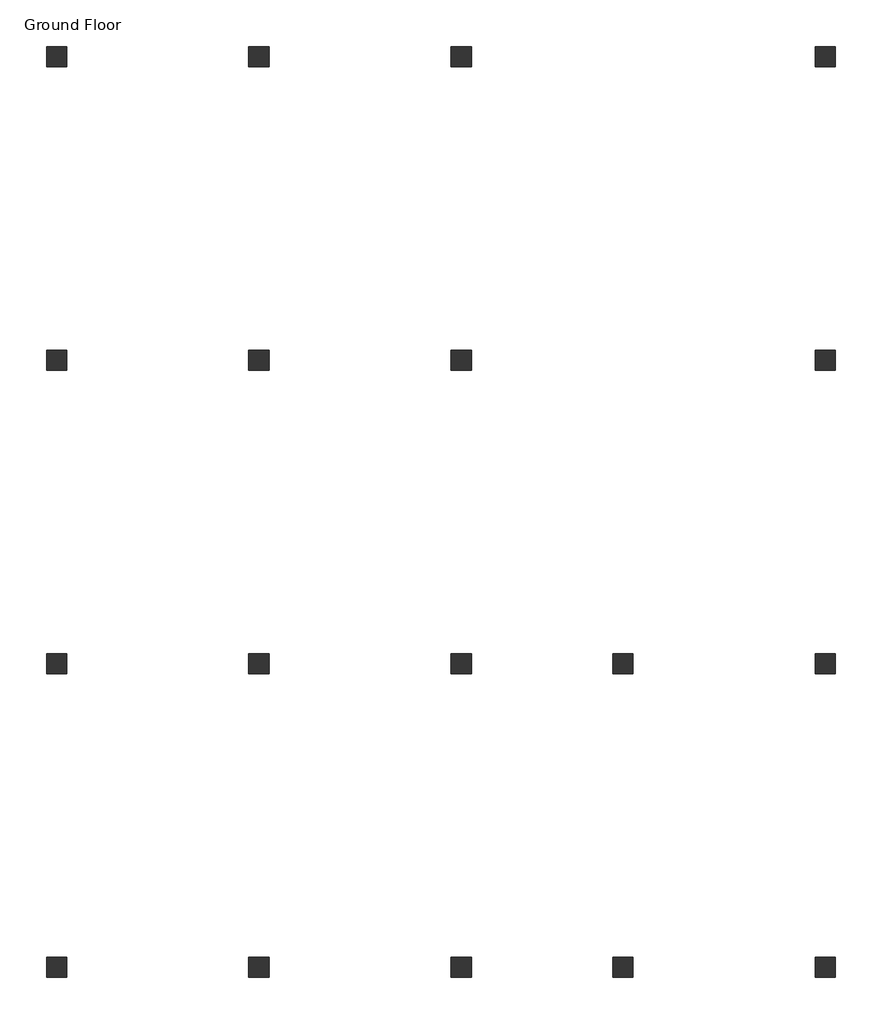
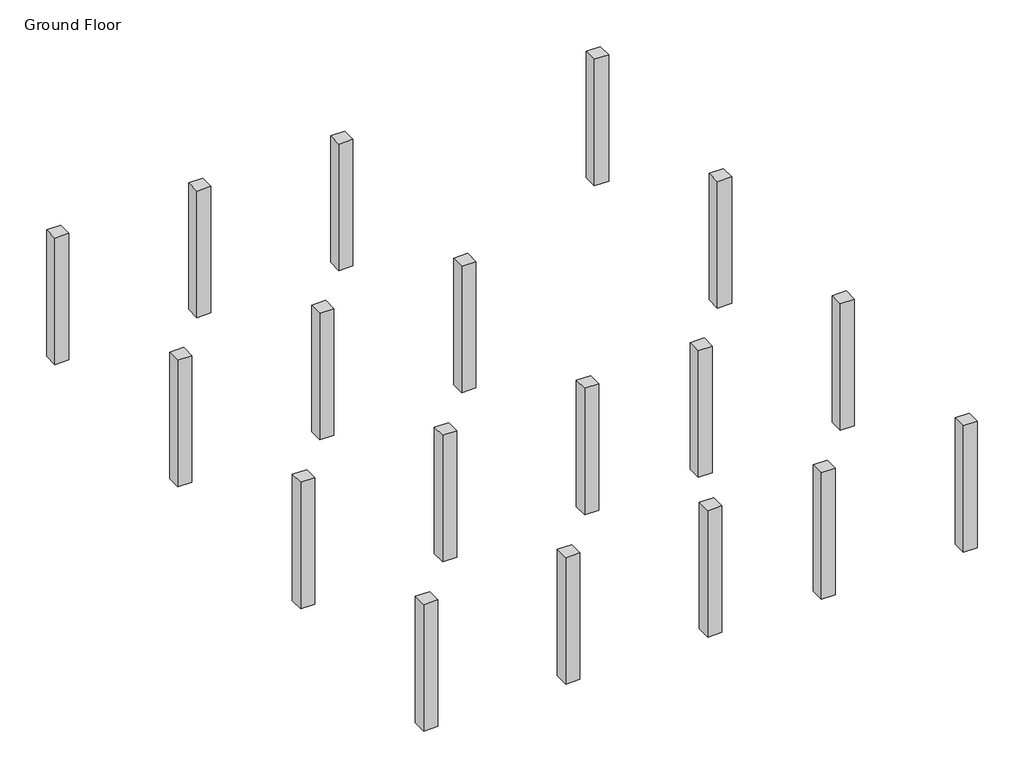
# One storey: 18 columns.
"""IFC4 building model written with IfcOpenShell, lengths in millimetres."""

from ifc_helpers import new_model, si_unit, origin, origin_with_axes, place, context, project, spatial, polyline, outline, extrude, element, save

model = new_model("IFC4")

# Units and contexts
model_context = context("Model", 3, world=origin())
ifc_project = project(units=[si_unit("LENGTHUNIT", "METRE", prefix="MILLI")], contexts=[model_context])

# Site, building, storey
site = spatial("IfcSite", under=ifc_project)
building = spatial("IfcBuilding", under=site)
storey = spatial("IfcBuildingStorey", under=building, Name="Ground Floor", Elevation=0.0)

# Columns
placement = place(None, origin())
element("IfcColumn", 1, ObjectType="Concrete-Rectangular-Column", at=placement, inside=storey, context=model_context, shape_type="SweptSolid", body=[
    extrude(outline(polyline([(3162.1409002, -15039.2114294), (3162.1409002, -15344.0114294), (2857.3409002, -15344.0114294), (2857.3409002, -15039.2114294), (3162.1409002, -15039.2114294)])), origin_with_axes(), (0.0, 0.0, 1.0), 2870.2),
])
element("IfcColumn", 2, ObjectType="Concrete-Rectangular-Column", at=placement, inside=storey, context=model_context, shape_type="SweptSolid", body=[
    extrude(outline(polyline([(9258.1409002, -15039.2114294), (9258.1409002, -15344.0114294), (8953.3409002, -15344.0114294), (8953.3409002, -15039.2114294), (9258.1409002, -15039.2114294)])), origin_with_axes(), (0.0, 0.0, 1.0), 2870.2),
])
element("IfcColumn", 3, ObjectType="Concrete-Rectangular-Column", at=placement, inside=storey, context=model_context, shape_type="SweptSolid", body=[
    extrude(outline(polyline([(11696.5409002, -15039.2114294), (11696.5409002, -15344.0114294), (11391.7409002, -15344.0114294), (11391.7409002, -15039.2114294), (11696.5409002, -15039.2114294)])), origin_with_axes(), (0.0, 0.0, 1.0), 2870.2),
])
element("IfcColumn", 4, ObjectType="Concrete-Rectangular-Column", at=placement, inside=storey, context=model_context, shape_type="SweptSolid", body=[
    extrude(outline(polyline([(14744.5409002, -15039.2114294), (14744.5409002, -15344.0114294), (14439.7409002, -15344.0114294), (14439.7409002, -15039.2114294), (14744.5409002, -15039.2114294)])), origin_with_axes(), (0.0, 0.0, 1.0), 2870.2),
])
element("IfcColumn", 5, ObjectType="Concrete-Rectangular-Column", at=placement, inside=storey, context=model_context, shape_type="SweptSolid", body=[
    extrude(outline(polyline([(6210.1409002, -15039.2114294), (6210.1409002, -15344.0114294), (5905.3409002, -15344.0114294), (5905.3409002, -15039.2114294), (6210.1409002, -15039.2114294)])), origin_with_axes(), (0.0, 0.0, 1.0), 2870.2),
])
element("IfcColumn", 6, ObjectType="Concrete-Rectangular-Column", at=placement, inside=storey, context=model_context, shape_type="SweptSolid", body=[
    extrude(outline(polyline([(3162.1409002, -10467.2114294), (3162.1409002, -10772.0114294), (2857.3409002, -10772.0114294), (2857.3409002, -10467.2114294), (3162.1409002, -10467.2114294)])), origin_with_axes(), (0.0, 0.0, 1.0), 2870.2),
])
element("IfcColumn", 7, ObjectType="Concrete-Rectangular-Column", at=placement, inside=storey, context=model_context, shape_type="SweptSolid", body=[
    extrude(outline(polyline([(9258.1409002, -10467.2114294), (9258.1409002, -10772.0114294), (8953.3409002, -10772.0114294), (8953.3409002, -10467.2114294), (9258.1409002, -10467.2114294)])), origin_with_axes(), (0.0, 0.0, 1.0), 2870.2),
])
element("IfcColumn", 8, ObjectType="Concrete-Rectangular-Column", at=placement, inside=storey, context=model_context, shape_type="SweptSolid", body=[
    extrude(outline(polyline([(11696.5409002, -10467.2114294), (11696.5409002, -10772.0114294), (11391.7409002, -10772.0114294), (11391.7409002, -10467.2114294), (11696.5409002, -10467.2114294)])), origin_with_axes(), (0.0, 0.0, 1.0), 2870.2),
])
element("IfcColumn", 9, ObjectType="Concrete-Rectangular-Column", at=placement, inside=storey, context=model_context, shape_type="SweptSolid", body=[
    extrude(outline(polyline([(14744.5409002, -10467.2114294), (14744.5409002, -10772.0114294), (14439.7409002, -10772.0114294), (14439.7409002, -10467.2114294), (14744.5409002, -10467.2114294)])), origin_with_axes(), (0.0, 0.0, 1.0), 2870.2),
])
element("IfcColumn", 10, ObjectType="Concrete-Rectangular-Column", at=placement, inside=storey, context=model_context, shape_type="SweptSolid", body=[
    extrude(outline(polyline([(6210.1409002, -10467.2114294), (6210.1409002, -10772.0114294), (5905.3409002, -10772.0114294), (5905.3409002, -10467.2114294), (6210.1409002, -10467.2114294)])), origin_with_axes(), (0.0, 0.0, 1.0), 2870.2),
])
element("IfcColumn", 11, ObjectType="Concrete-Rectangular-Column", at=placement, inside=storey, context=model_context, shape_type="SweptSolid", body=[
    extrude(outline(polyline([(3162.1409002, -5895.2114294), (3162.1409002, -6200.0114294), (2857.3409002, -6200.0114294), (2857.3409002, -5895.2114294), (3162.1409002, -5895.2114294)])), origin_with_axes(), (0.0, 0.0, 1.0), 2870.2),
])
element("IfcColumn", 12, ObjectType="Concrete-Rectangular-Column", at=placement, inside=storey, context=model_context, shape_type="SweptSolid", body=[
    extrude(outline(polyline([(9258.1409002, -5895.2114294), (9258.1409002, -6200.0114294), (8953.3409002, -6200.0114294), (8953.3409002, -5895.2114294), (9258.1409002, -5895.2114294)])), origin_with_axes(), (0.0, 0.0, 1.0), 2870.2),
])
element("IfcColumn", 13, ObjectType="Concrete-Rectangular-Column", at=placement, inside=storey, context=model_context, shape_type="SweptSolid", body=[
    extrude(outline(polyline([(14744.5409002, -5895.2114294), (14744.5409002, -6200.0114294), (14439.7409002, -6200.0114294), (14439.7409002, -5895.2114294), (14744.5409002, -5895.2114294)])), origin_with_axes(), (0.0, 0.0, 1.0), 2870.2),
])
element("IfcColumn", 14, ObjectType="Concrete-Rectangular-Column", at=placement, inside=storey, context=model_context, shape_type="SweptSolid", body=[
    extrude(outline(polyline([(6210.1409002, -5895.2114294), (6210.1409002, -6200.0114294), (5905.3409002, -6200.0114294), (5905.3409002, -5895.2114294), (6210.1409002, -5895.2114294)])), origin_with_axes(), (0.0, 0.0, 1.0), 2870.2),
])
element("IfcColumn", 15, ObjectType="Concrete-Rectangular-Column", at=placement, inside=storey, context=model_context, shape_type="SweptSolid", body=[
    extrude(outline(polyline([(3162.1409002, -1323.2114294), (3162.1409002, -1628.0114294), (2857.3409002, -1628.0114294), (2857.3409002, -1323.2114294), (3162.1409002, -1323.2114294)])), origin_with_axes(), (0.0, 0.0, 1.0), 2870.2),
])
element("IfcColumn", 16, ObjectType="Concrete-Rectangular-Column", at=placement, inside=storey, context=model_context, shape_type="SweptSolid", body=[
    extrude(outline(polyline([(9258.1409002, -1323.2114294), (9258.1409002, -1628.0114294), (8953.3409002, -1628.0114294), (8953.3409002, -1323.2114294), (9258.1409002, -1323.2114294)])), origin_with_axes(), (0.0, 0.0, 1.0), 2870.2),
])
element("IfcColumn", 17, ObjectType="Concrete-Rectangular-Column", at=placement, inside=storey, context=model_context, shape_type="SweptSolid", body=[
    extrude(outline(polyline([(14744.5409002, -1323.2114294), (14744.5409002, -1628.0114294), (14439.7409002, -1628.0114294), (14439.7409002, -1323.2114294), (14744.5409002, -1323.2114294)])), origin_with_axes(), (0.0, 0.0, 1.0), 2870.2),
])
element("IfcColumn", 18, ObjectType="Concrete-Rectangular-Column", at=placement, inside=storey, context=model_context, shape_type="SweptSolid", body=[
    extrude(outline(polyline([(6210.1409002, -1323.2114294), (6210.1409002, -1628.0114294), (5905.3409002, -1628.0114294), (5905.3409002, -1323.2114294), (6210.1409002, -1323.2114294)])), origin_with_axes(), (0.0, 0.0, 1.0), 2870.2),
])

save(model, "model.ifc")
